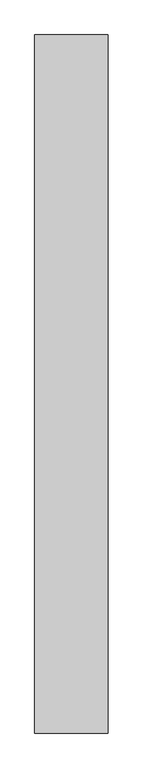
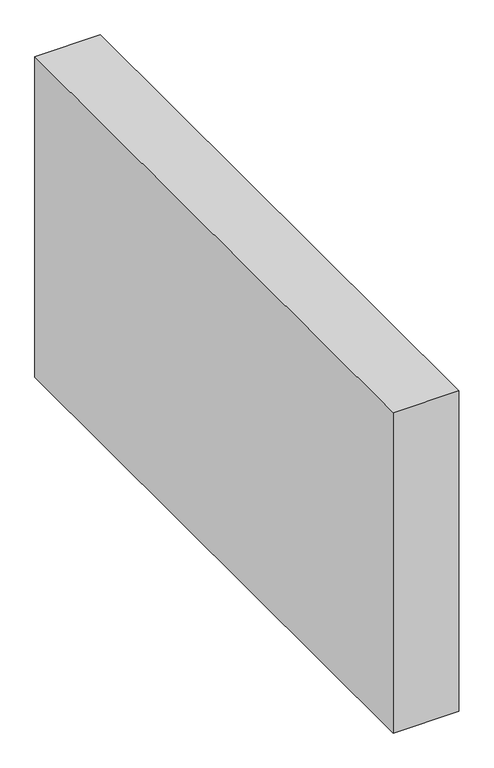
"""IFC4 building model written with IfcOpenShell, lengths in millimetres: proxy geometry."""

import ifcopenshell
import ifcopenshell.guid

model = None  # the IFC model being written
_history = None  # IfcOwnerHistory: only IFC2X3 demands one
_inside = {}  # id of a spatial element -> (the spatial element, [elements in it])
_under = {}  # id of a project, library or spatial element -> (it, [spatial elements below it])
_declared = {}  # id of a project -> (the project, [libraries it declares])
_typed = {}  # id of a type object -> (the type object, [elements of that type])
_made_of = {}  # id of a material, layer set ... -> (it, [elements and type objects made of it])


def new_model(schema):
    """Start an empty IFC model of exactly this schema.

    Asked for "IFC4X3", IfcOpenShell would pick the latest addendum, in which some entities
    have other attributes; the version numbers below select the first issue.
    IFC2X3 requires an IfcOwnerHistory on every rooted entity: one is made here for all.
    """
    global model, _history
    if schema == "IFC4X3":
        model = ifcopenshell.file(schema_version=(4, 3, 0, 0))
    else:
        model = ifcopenshell.file(schema=schema)
    _inside.clear()
    _under.clear()
    _declared.clear()
    _typed.clear()
    _made_of.clear()
    _history = None
    if model.schema == "IFC2X3":
        org = make("IfcOrganization", Name="unknown")
        user = make(
            "IfcPersonAndOrganization",
            ThePerson=make("IfcPerson", FamilyName="unknown"),
            TheOrganization=org,
        )
        app = make(
            "IfcApplication",
            ApplicationDeveloper=org,
            Version="unknown",
            ApplicationFullName="unknown",
            ApplicationIdentifier="unknown",
        )
        _history = make(
            "IfcOwnerHistory",
            OwningUser=user,
            OwningApplication=app,
            ChangeAction="ADDED",
            CreationDate=0,
        )
    return model


def make(cls, **values):
    """One entity of the class cls with the attributes given. An attribute that is None is left unset."""
    return model.create_entity(
        cls, **{name: value for name, value in values.items() if value is not None}
    )


def rooted(cls, **values):
    """An entity with a GlobalId (a new one), such as an element, a storey or a relation."""
    return make(cls, GlobalId=ifcopenshell.guid.new(), OwnerHistory=_history, **values)


def si_unit(unit_type, name, prefix=None):
    """IfcSIUnit, for example si_unit("LENGTHUNIT", "METRE", prefix="MILLI")."""
    return make("IfcSIUnit", UnitType=unit_type, Prefix=prefix, Name=name)


def assignment(units):
    """IfcUnitAssignment: the units of a project."""
    return None if units is None else make("IfcUnitAssignment", Units=units)


def point(xyz):
    """IfcCartesianPoint."""
    return None if xyz is None else make("IfcCartesianPoint", Coordinates=xyz)


def direction(xyz):
    """IfcDirection."""
    return None if xyz is None else make("IfcDirection", DirectionRatios=xyz)


def frame(location, z_axis=None, x_axis=None):
    """IfcAxis2Placement3D, a coordinate frame: its origin and axes. An axis left out is left unset."""
    return make(
        "IfcAxis2Placement3D",
        Location=point(location),
        Axis=direction(z_axis),
        RefDirection=direction(x_axis),
    )


def origin():
    """The frame at (0, 0, 0) with its axes left unset."""
    return frame((0.0, 0.0, 0.0))


def origin_with_axes():
    """The frame at (0, 0, 0) with the z axis (0, 0, 1) and the x axis (1, 0, 0) written out."""
    return frame((0.0, 0.0, 0.0), z_axis=(0.0, 0.0, 1.0), x_axis=(1.0, 0.0, 0.0))


def place(relative_to, where):
    """IfcLocalPlacement: puts the frame where relative to a parent placement (None: the world)."""
    return make(
        "IfcLocalPlacement", PlacementRelTo=relative_to, RelativePlacement=where
    )


def context(
    kind, dimensions, precision=None, world=None, true_north=None, identifier=None
):
    """IfcGeometricRepresentationContext, for example the 3D "Model" context."""
    return make(
        "IfcGeometricRepresentationContext",
        ContextIdentifier=identifier,
        ContextType=kind,
        CoordinateSpaceDimension=dimensions,
        Precision=precision,
        WorldCoordinateSystem=world,
        TrueNorth=true_north,
    )


def project(units=None, contexts=None):
    """IfcProject with its units and contexts."""
    return rooted(
        "IfcProject",
        Name="project",
        RepresentationContexts=contexts,
        UnitsInContext=assignment(units),
    )


def spatial(cls, under=None, at=None, **own):
    """A site, building, storey or space (cls), placed at a placement, below another one or the project."""
    s = rooted(cls, ObjectPlacement=at, **own)
    if under is not None:
        _under.setdefault(under.id(), (under, []))[1].append(s)
    return s


def polyline(points):
    """IfcPolyline through the points."""
    return make("IfcPolyline", Points=[point(p) for p in points])


def outline(outer, holes=None, kind="AREA"):
    """IfcArbitraryClosedProfileDef: a profile drawn as a closed curve; with holes, ...WithVoids."""
    if holes is None:
        return make("IfcArbitraryClosedProfileDef", ProfileType=kind, OuterCurve=outer)
    return make(
        "IfcArbitraryProfileDefWithVoids",
        ProfileType=kind,
        OuterCurve=outer,
        InnerCurves=holes,
    )


def extrude(swept, where, along, depth):
    """IfcExtrudedAreaSolid: the profile swept, set in the frame where, extruded along a direction by depth."""
    return make(
        "IfcExtrudedAreaSolid",
        SweptArea=swept,
        Position=where,
        ExtrudedDirection=direction(along),
        Depth=depth,
    )


def shape(context_of_items, identifier, shape_type, items):
    """IfcShapeRepresentation: the items that make up one representation, for example the "Body"."""
    return make(
        "IfcShapeRepresentation",
        ContextOfItems=context_of_items,
        RepresentationIdentifier=identifier,
        RepresentationType=shape_type,
        Items=items,
    )


def source(mapping_origin, context_of_items, identifier, shape_type, items):
    """IfcRepresentationMap: a shape defined once, which mapped items show again and again."""
    return make(
        "IfcRepresentationMap",
        MappingOrigin=mapping_origin,
        MappedRepresentation=shape(context_of_items, identifier, shape_type, items),
    )


def transform(
    local_origin,
    x_axis=None,
    y_axis=None,
    z_axis=None,
    scale=None,
    scale2=None,
    scale3=None,
    uniform=True,
):
    """IfcCartesianTransformationOperator3D, or its non-uniform kind. x_axis, y_axis, z_axis: its Axis1, 2, 3."""
    if uniform:
        return make(
            "IfcCartesianTransformationOperator3D",
            Axis1=direction(x_axis),
            Axis2=direction(y_axis),
            LocalOrigin=point(local_origin),
            Scale=scale,
            Axis3=direction(z_axis),
        )
    return make(
        "IfcCartesianTransformationOperator3DnonUniform",
        Axis1=direction(x_axis),
        Axis2=direction(y_axis),
        LocalOrigin=point(local_origin),
        Scale=scale,
        Axis3=direction(z_axis),
        Scale2=scale2,
        Scale3=scale3,
    )


def mapped(mapping_source, mapping_target):
    """IfcMappedItem: shows the shape of a source again, moved by a transform."""
    return make(
        "IfcMappedItem", MappingSource=mapping_source, MappingTarget=mapping_target
    )


def made_of(thing, what):
    """Note that an element or type object is made of a material, layer set ...; save() writes the relation."""
    if what is not None:
        _made_of.setdefault(what.id(), (what, []))[1].append(thing)
    return thing


def element(
    cls,
    number,
    at=None,
    inside=None,
    cuts=None,
    type_object=None,
    material=None,
    context=None,
    identifier="Body",
    shape_type=None,
    held_by="IfcProductDefinitionShape",
    body=None,
    shapes=None,
    **own,
):
    """One element of the class cls, such as IfcWall. Its Tag is "e" and its number.

    at: its placement. inside: the storey or other place that contains it. cuts: it is an
    opening in that element (IfcRelVoidsElement). A single representation is given by context,
    identifier, shape_type and body (its items); several are given by shapes. held_by: the class
    of the entity that holds the representations. save() writes the other relations.
    """
    e = rooted(cls, Tag="e%d" % number, ObjectPlacement=at, **own)
    if body is not None:
        shapes = [shape(context, identifier, shape_type, body)]
    if shapes is not None:
        e.Representation = make(held_by, Representations=shapes)
    if inside is not None:
        _inside.setdefault(inside.id(), (inside, []))[1].append(e)
    if cuts is not None:
        rooted(
            "IfcRelVoidsElement", RelatingBuildingElement=cuts, RelatedOpeningElement=e
        )
    if type_object is not None:
        _typed.setdefault(type_object.id(), (type_object, []))[1].append(e)
    return made_of(e, material)


def aggregate(whole, parts):
    """IfcRelAggregates: a whole, such as a stair, and the parts it consists of."""
    return rooted("IfcRelAggregates", RelatingObject=whole, RelatedObjects=parts)


def save(model, path):
    """Write the relations noted so far, then the file.

    IfcRelAggregates (storeys below a building ...), IfcRelContainedInSpatialStructure (elements
    in a storey), IfcRelDefinesByType, IfcRelAssociatesMaterial and IfcRelDeclares: one each for
    every whole, place, type object, material and project.
    """
    for whole, parts in _under.values():
        aggregate(whole, parts)
    for where, things in _inside.values():
        rooted(
            "IfcRelContainedInSpatialStructure",
            RelatedElements=things,
            RelatingStructure=where,
        )
    for kind, things in _typed.values():
        rooted("IfcRelDefinesByType", RelatedObjects=things, RelatingType=kind)
    for what, things in _made_of.values():
        rooted("IfcRelAssociatesMaterial", RelatedObjects=things, RelatingMaterial=what)
    for by, libraries in _declared.values():
        rooted("IfcRelDeclares", RelatingContext=by, RelatedDefinitions=libraries)
    model.write(path)


def generic_models_c7705a49(model_context):
    return source(origin(), model_context, "Body", "SweptSolid", [
        extrude(outline(polyline([(150.0, 1423.0554133), (150.0, 0.0), (0.0, 0.0), (0.0, 1423.0554133), (150.0, 1423.0554133)])), origin_with_axes(), (0.0, 0.0, 1.0), 776.6553396),
    ])


if __name__ == "__main__":
    model = new_model("IFC4")
    model_context = context("Model", 3, world=origin())
    ifc_project = project(units=[si_unit("LENGTHUNIT", "METRE", prefix="MILLI")], contexts=[model_context])
    site = spatial("IfcSite", under=ifc_project)
    building = spatial("IfcBuilding", under=site)
    placement = place(None, origin())
    generic_models_shape = generic_models_c7705a49(model_context)
    element("IfcBuildingElementProxy", 1, Name="Generic Models", at=placement, inside=building, context=model_context, shape_type="MappedRepresentation", body=[
        mapped(generic_models_shape, transform((0.0, 0.0, 0.0), x_axis=(1.0, 0.0, 0.0), y_axis=(0.0, 1.0, 0.0), z_axis=(0.0, 0.0, 1.0))),
    ])
    save(model, "model.ifc")
